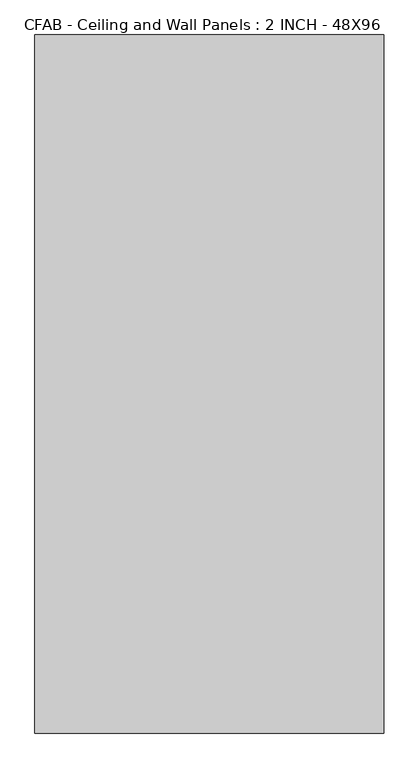
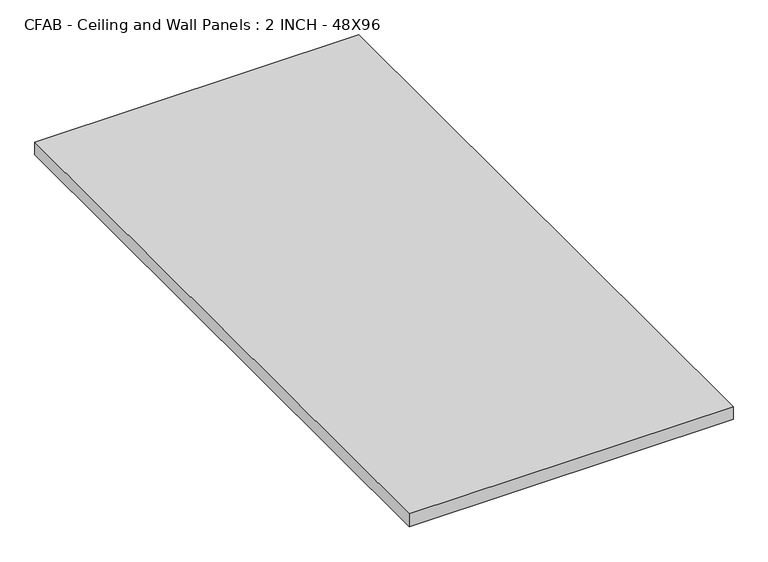
"""IFC4 building model written with IfcOpenShell, lengths in millimetres: proxy geometry, CFAB - Ceiling and Wall Panels : 2 INCH - 48X96."""

from ifc_helpers import new_model, si_unit, origin, origin_with_axes, place, context, project, spatial, polyline, outline, extrude, source, transform, mapped, element, save


def cfab_ceiling_and_wall_panels_2_inch_48x96_caded2e5(model_context):
    return source(origin(), model_context, "Body", "SweptSolid", [
        extrude(outline(polyline([(-609.6, 1219.2), (609.6, 1219.2), (609.6, -1219.2), (-609.6, -1219.2), (-609.6, 1219.2)])), origin_with_axes(), (0.0, 0.0, 1.0), 50.8),
    ])


if __name__ == "__main__":
    model = new_model("IFC4")
    model_context = context("Model", 3, world=origin())
    ifc_project = project(units=[si_unit("LENGTHUNIT", "METRE", prefix="MILLI")], contexts=[model_context])
    site = spatial("IfcSite", under=ifc_project)
    building = spatial("IfcBuilding", under=site)
    placement = place(None, origin())
    cfab_ceiling_and_wall_panels_2_inch_48x96_shape = cfab_ceiling_and_wall_panels_2_inch_48x96_caded2e5(model_context)
    element("IfcBuildingElementProxy", 1, Name="CFAB - Ceiling and Wall Panels : 2 INCH - 48X96", ObjectType="CFAB - Ceiling and Wall Panels : 2 INCH - 48X96", at=placement, inside=building, context=model_context, shape_type="MappedRepresentation", body=[
        mapped(cfab_ceiling_and_wall_panels_2_inch_48x96_shape, transform((0.0, 0.0, 0.0), x_axis=(1.0, 0.0, 0.0), y_axis=(0.0, 1.0, 0.0), z_axis=(0.0, 0.0, 1.0))),
    ])
    save(model, "model.ifc")
